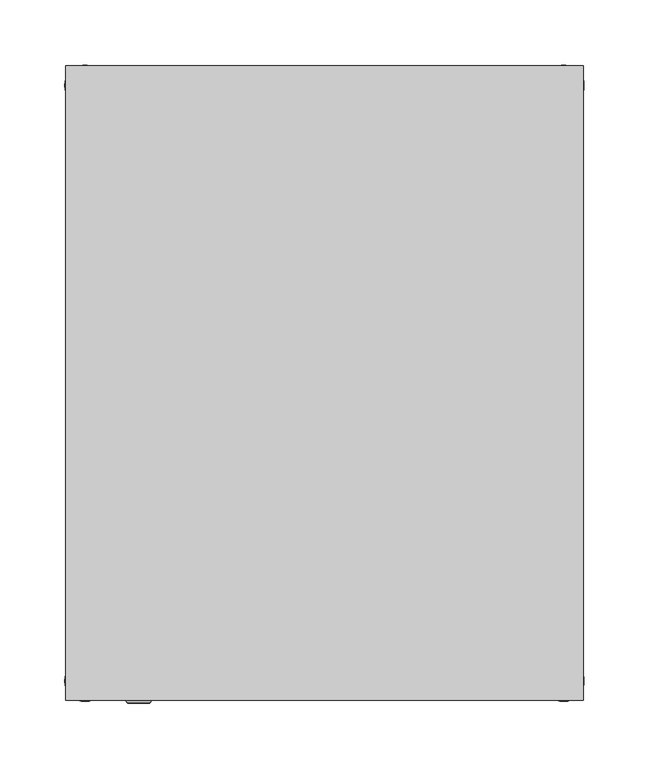
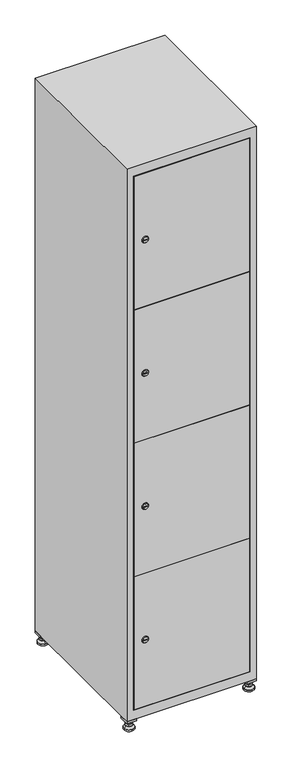
"""IFC4 building model written with IfcOpenShell, lengths in millimetres: furniture geometry."""

from ifc_helpers import new_model, si_unit, point, frame, frame_2d, origin, origin_with_axes, place, context, project, spatial, polyline, circle_curve, trimmed, segment, composite_curve, outline, extrude, faceted_brep, source, transform, mapped, element, save
from ifc_brep_helpers import plane_surface, revolved_surface, advanced_brep


def furniture_5f8d6101(model_context):
    return source(origin(), model_context, "Body", "SolidModel", [
        extrude(outline(polyline([(200.0, 245.0), (200.0, 215.0), (170.0, 215.0), (170.0, 245.0), (200.0, 245.0)]), holes=[polyline([(198.0, 243.0), (172.0, 243.0), (172.0, 217.0), (198.0, 217.0), (198.0, 243.0)])]), frame((0.0, 0.0, 28.5), z_axis=(0.0, 0.0, 1.0), x_axis=(1.0, 0.0, 0.0)), (0.0, 0.0, 1.0), 6.5),
        extrude(outline(polyline([(170.0, -245.0), (170.0, -215.0), (200.0, -215.0), (200.0, -245.0), (170.0, -245.0)]), holes=[polyline([(172.0, -243.0), (198.0, -243.0), (198.0, -217.0), (172.0, -217.0), (172.0, -243.0)])]), frame((0.0, 0.0, 28.5), z_axis=(0.0, 0.0, 1.0), x_axis=(1.0, 0.0, 0.0)), (0.0, 0.0, 1.0), 6.5),
        extrude(outline(polyline([(-170.0, 245.0), (-170.0, 215.0), (-200.0, 215.0), (-200.0, 245.0), (-170.0, 245.0)]), holes=[polyline([(-172.0, 243.0), (-198.0, 243.0), (-198.0, 217.0), (-172.0, 217.0), (-172.0, 243.0)])]), frame((0.0, 0.0, 28.5), z_axis=(0.0, 0.0, 1.0), x_axis=(1.0, 0.0, 0.0)), (0.0, 0.0, 1.0), 6.5),
        extrude(outline(polyline([(-170.0, -215.0), (-170.0, -245.0), (-200.0, -245.0), (-200.0, -215.0), (-170.0, -215.0)]), holes=[polyline([(-198.0, -243.0), (-172.0, -243.0), (-172.0, -217.0), (-198.0, -217.0), (-198.0, -243.0)])]), frame((0.0, 0.0, 28.5), z_axis=(0.0, 0.0, 1.0), x_axis=(1.0, 0.0, 0.0)), (0.0, 0.0, 1.0), 6.5),
        extrude(outline(composite_curve([segment(trimmed(circle_curve(frame_2d((-185.0, 230.0)), 5.0), [point((-180.0, 230.0))], [point((-190.0, 230.0))], False, "CARTESIAN"), True, "CONTINUOUS"), segment(trimmed(circle_curve(frame_2d((-185.0, 230.0)), 5.0), [point((-190.0, 230.0))], [point((-180.0, 230.0))], False, "CARTESIAN"), True, "CONTINUOUS")], self_intersect=False)), frame((0.0, 0.0, 19.6), z_axis=(0.0, 0.0, 1.0), x_axis=(1.0, 0.0, 0.0)), (0.0, 0.0, 1.0), 15.4),
        extrude(outline(composite_curve([segment(trimmed(circle_curve(frame_2d((-185.0, -230.0)), 5.0), [point((-180.0, -230.0))], [point((-190.0, -230.0))], False, "CARTESIAN"), True, "CONTINUOUS"), segment(trimmed(circle_curve(frame_2d((-185.0, -230.0)), 5.0), [point((-190.0, -230.0))], [point((-180.0, -230.0))], False, "CARTESIAN"), True, "CONTINUOUS")], self_intersect=False)), frame((0.0, 0.0, 19.6), z_axis=(0.0, 0.0, 1.0), x_axis=(1.0, 0.0, 0.0)), (0.0, 0.0, 1.0), 15.4),
        extrude(outline(composite_curve([segment(trimmed(circle_curve(frame_2d((185.0, 230.0)), 5.0), [point((190.0, 230.0))], [point((180.0, 230.0))], False, "CARTESIAN"), True, "CONTINUOUS"), segment(trimmed(circle_curve(frame_2d((185.0, 230.0)), 5.0), [point((180.0, 230.0))], [point((190.0, 230.0))], False, "CARTESIAN"), True, "CONTINUOUS")], self_intersect=False)), frame((0.0, 0.0, 19.6), z_axis=(0.0, 0.0, 1.0), x_axis=(1.0, 0.0, 0.0)), (0.0, 0.0, 1.0), 15.4),
        extrude(outline(polyline([(173.4529946, 230.0), (179.2264973, 240.0), (190.7735027, 240.0), (196.5470054, 230.0), (190.7735027, 220.0), (179.2264973, 220.0), (173.4529946, 230.0)])), frame((0.0, 0.0, 13.6), z_axis=(0.0, 0.0, 1.0), x_axis=(1.0, 0.0, 0.0)), (0.0, 0.0, 1.0), 6.0),
        extrude(outline(composite_curve([segment(trimmed(circle_curve(frame_2d((185.0, -230.0)), 5.0), [point((190.0, -230.0))], [point((180.0, -230.0))], False, "CARTESIAN"), True, "CONTINUOUS"), segment(trimmed(circle_curve(frame_2d((185.0, -230.0)), 5.0), [point((180.0, -230.0))], [point((190.0, -230.0))], False, "CARTESIAN"), True, "CONTINUOUS")], self_intersect=False)), frame((0.0, 0.0, 19.6), z_axis=(0.0, 0.0, 1.0), x_axis=(1.0, 0.0, 0.0)), (0.0, 0.0, 1.0), 15.4),
        extrude(outline(polyline([(173.4529946, -230.0), (179.2264973, -220.0), (190.7735027, -220.0), (196.5470054, -230.0), (190.7735027, -240.0), (179.2264973, -240.0), (173.4529946, -230.0)])), frame((0.0, 0.0, 13.6), z_axis=(0.0, 0.0, 1.0), x_axis=(1.0, 0.0, 0.0)), (0.0, 0.0, 1.0), 6.0),
        extrude(outline(composite_curve([segment(trimmed(circle_curve(frame_2d((185.0, 230.0)), 5.0), [point((190.0, 230.0))], [point((180.0, 230.0))], False, "CARTESIAN"), True, "CONTINUOUS"), segment(trimmed(circle_curve(frame_2d((185.0, 230.0)), 5.0), [point((180.0, 230.0))], [point((190.0, 230.0))], False, "CARTESIAN"), True, "CONTINUOUS")], self_intersect=False)), frame((0.0, 0.0, 12.1), z_axis=(0.0, 0.0, 1.0), x_axis=(1.0, 0.0, 0.0)), (0.0, 0.0, 1.0), 1.5),
        extrude(outline(composite_curve([segment(trimmed(circle_curve(frame_2d((185.0, -230.0)), 5.0), [point((190.0, -230.0))], [point((180.0, -230.0))], False, "CARTESIAN"), True, "CONTINUOUS"), segment(trimmed(circle_curve(frame_2d((185.0, -230.0)), 5.0), [point((180.0, -230.0))], [point((190.0, -230.0))], False, "CARTESIAN"), True, "CONTINUOUS")], self_intersect=False)), frame((0.0, 0.0, 12.1), z_axis=(0.0, 0.0, 1.0), x_axis=(1.0, 0.0, 0.0)), (0.0, 0.0, 1.0), 1.5),
        extrude(outline(polyline([(-196.5470054, 230.0), (-190.7735027, 240.0), (-179.2264973, 240.0), (-173.4529946, 230.0), (-179.2264973, 220.0), (-190.7735027, 220.0), (-196.5470054, 230.0)])), frame((0.0, 0.0, 13.6), z_axis=(0.0, 0.0, 1.0), x_axis=(1.0, 0.0, 0.0)), (0.0, 0.0, 1.0), 6.0),
        extrude(outline(polyline([(-196.5470054, -230.0), (-190.7735027, -220.0), (-179.2264973, -220.0), (-173.4529946, -230.0), (-179.2264973, -240.0), (-190.7735027, -240.0), (-196.5470054, -230.0)])), frame((0.0, 0.0, 13.6), z_axis=(0.0, 0.0, 1.0), x_axis=(1.0, 0.0, 0.0)), (0.0, 0.0, 1.0), 6.0),
        extrude(outline(composite_curve([segment(trimmed(circle_curve(frame_2d((-185.0, 230.0)), 5.0), [point((-185.0, 235.0))], [point((-185.0, 225.0))], False, "CARTESIAN"), True, "CONTINUOUS"), segment(trimmed(circle_curve(frame_2d((-185.0, 230.0)), 5.0), [point((-185.0, 225.0))], [point((-185.0, 235.0))], False, "CARTESIAN"), True, "CONTINUOUS")], self_intersect=False)), frame((0.0, 0.0, 12.1), z_axis=(0.0, 0.0, 1.0), x_axis=(1.0, 0.0, 0.0)), (0.0, 0.0, 1.0), 1.5),
        extrude(outline(composite_curve([segment(trimmed(circle_curve(frame_2d((-185.0, -230.0)), 5.0), [point((-180.0, -230.0))], [point((-190.0, -230.0))], False, "CARTESIAN"), True, "CONTINUOUS"), segment(trimmed(circle_curve(frame_2d((-185.0, -230.0)), 5.0), [point((-190.0, -230.0))], [point((-180.0, -230.0))], False, "CARTESIAN"), True, "CONTINUOUS")], self_intersect=False)), frame((0.0, 0.0, 12.1), z_axis=(0.0, 0.0, 1.0), x_axis=(1.0, 0.0, 0.0)), (0.0, 0.0, 1.0), 1.5),
        extrude(outline(composite_curve([segment(trimmed(circle_curve(frame_2d((185.0, 230.0)), 15.75), [point((200.75, 230.0))], [point((169.25, 230.0))], False, "CARTESIAN"), True, "CONTINUOUS"), segment(trimmed(circle_curve(frame_2d((185.0, 230.0)), 15.75), [point((169.25, 230.0))], [point((200.75, 230.0))], False, "CARTESIAN"), True, "CONTINUOUS")], self_intersect=False)), origin_with_axes(), (0.0, 0.0, 1.0), 5.1),
        extrude(outline(composite_curve([segment(trimmed(circle_curve(frame_2d((185.0, -230.0)), 15.75), [point((185.0, -214.25))], [point((185.0, -245.75))], False, "CARTESIAN"), True, "CONTINUOUS"), segment(trimmed(circle_curve(frame_2d((185.0, -230.0)), 15.75), [point((185.0, -245.75))], [point((185.0, -214.25))], False, "CARTESIAN"), True, "CONTINUOUS")], self_intersect=False)), origin_with_axes(), (0.0, 0.0, 1.0), 5.1),
        extrude(outline(composite_curve([segment(trimmed(circle_curve(frame_2d((-185.0, -230.0)), 15.75), [point((-169.25, -230.0))], [point((-200.75, -230.0))], False, "CARTESIAN"), True, "CONTINUOUS"), segment(trimmed(circle_curve(frame_2d((-185.0, -230.0)), 15.75), [point((-200.75, -230.0))], [point((-169.25, -230.0))], False, "CARTESIAN"), True, "CONTINUOUS")], self_intersect=False)), origin_with_axes(), (0.0, 0.0, 1.0), 5.1),
        extrude(outline(composite_curve([segment(trimmed(circle_curve(frame_2d((-185.0, 230.0)), 15.75), [point((-169.25, 230.0))], [point((-200.75, 230.0))], False, "CARTESIAN"), True, "CONTINUOUS"), segment(trimmed(circle_curve(frame_2d((-185.0, 230.0)), 15.75), [point((-200.75, 230.0))], [point((-169.25, 230.0))], False, "CARTESIAN"), True, "CONTINUOUS")], self_intersect=False)), origin_with_axes(), (0.0, 0.0, 1.0), 5.1),
        advanced_brep(
        [(-185.0, 245.75, 5.1), (-185.0, 214.25, 5.1), (-185.0, 239.5, 12.1), (-185.0, 220.5, 12.1)],
        [
            (0, 1, circle_curve(frame((-185.0, 230.0, 5.1), z_axis=(0.0, 0.0, -1.0), x_axis=(0.0, 1.0, 0.0)), 15.75)),
            (1, 0, circle_curve(frame((-185.0, 230.0, 5.1), z_axis=(0.0, 0.0, -1.0), x_axis=(0.0, -1.0, 0.0)), 15.75)),
            (2, 3, circle_curve(frame((-185.0, 230.0, 12.1), z_axis=(0.0, 0.0, 1.0), x_axis=(0.0, -1.0, 0.0)), 9.5)),
            (3, 2, circle_curve(frame((-185.0, 230.0, 12.1), z_axis=(0.0, 0.0, 1.0), x_axis=(0.0, 1.0, 0.0)), 9.5)),
            (3, 1),
            (0, 2),
        ],
        [
            plane_surface(frame((-185.0, 230.0, 5.1), z_axis=(0.0, 0.0, -1.0), x_axis=(1.0, 0.0, 0.0))),
            plane_surface(frame((-185.0, 230.0, 12.1), z_axis=(0.0, 0.0, 1.0), x_axis=(1.0, 0.0, 0.0))),
            revolved_surface(polyline([(-185.0, 220.5, 12.099999999999998), (-185.0, 214.25, 5.099999999999998)]), (-185.0, 230.0, 22.74), (0.0, 0.0, -1.0)),
            revolved_surface(polyline([(-185.0, 239.5, 12.099999999999998), (-185.0, 245.75, 5.099999999999998)]), (-185.0, 230.0, 22.74), (0.0, 0.0, -1.0)),
        ],
        [
            (0, [[1, 2]]),
            (1, [[3, 4]]),
            (2, [[-4, 5, -1, 6]]),
            (3, [[-3, -6, -2, -5]]),
        ],
    ),
        advanced_brep(
        [(185.0, 245.75, 5.1), (185.0, 214.25, 5.1), (185.0, 239.5, 12.1), (185.0, 220.5, 12.1)],
        [
            (0, 1, circle_curve(frame((185.0, 230.0, 5.1), z_axis=(0.0, 0.0, -1.0), x_axis=(0.0, 1.0, 0.0)), 15.75)),
            (1, 0, circle_curve(frame((185.0, 230.0, 5.1), z_axis=(0.0, 0.0, -1.0), x_axis=(0.0, -1.0, 0.0)), 15.75)),
            (2, 3, circle_curve(frame((185.0, 230.0, 12.1), z_axis=(0.0, 0.0, 1.0), x_axis=(0.0, -1.0, 0.0)), 9.5)),
            (3, 2, circle_curve(frame((185.0, 230.0, 12.1), z_axis=(0.0, 0.0, 1.0), x_axis=(0.0, 1.0, 0.0)), 9.5)),
            (3, 1),
            (0, 2),
        ],
        [
            plane_surface(frame((185.0, 230.0, 5.1), z_axis=(0.0, 0.0, -1.0), x_axis=(1.0, 0.0, 0.0))),
            plane_surface(frame((185.0, 230.0, 12.1), z_axis=(0.0, 0.0, 1.0), x_axis=(1.0, 0.0, 0.0))),
            revolved_surface(polyline([(185.0, 220.5, 12.099999999999998), (185.0, 214.25, 5.099999999999998)]), (185.0, 230.0, 22.74), (0.0, 0.0, -1.0)),
            revolved_surface(polyline([(185.0, 239.5, 12.099999999999998), (185.0, 245.75, 5.099999999999998)]), (185.0, 230.0, 22.74), (0.0, 0.0, -1.0)),
        ],
        [
            (0, [[1, 2]]),
            (1, [[3, 4]]),
            (2, [[-4, 5, -1, 6]]),
            (3, [[-3, -6, -2, -5]]),
        ],
    ),
        advanced_brep(
        [(194.5, -230.0, 12.1), (175.5, -230.0, 12.1), (200.75, -230.0, 5.1), (169.25, -230.0, 5.1)],
        [
            (0, 1, circle_curve(frame((185.0, -230.0, 12.1), z_axis=(0.0, 0.0, 1.0), x_axis=(1.0, 0.0, 0.0)), 9.5)),
            (1, 0, circle_curve(frame((185.0, -230.0, 12.1), z_axis=(0.0, 0.0, 1.0), x_axis=(-1.0, 0.0, 0.0)), 9.5)),
            (2, 3, circle_curve(frame((185.0, -230.0, 5.1), z_axis=(0.0, 0.0, -1.0), x_axis=(-1.0, 0.0, 0.0)), 15.75)),
            (3, 2, circle_curve(frame((185.0, -230.0, 5.1), z_axis=(0.0, 0.0, -1.0), x_axis=(1.0, 0.0, 0.0)), 15.75)),
            (3, 1),
            (0, 2),
        ],
        [
            plane_surface(frame((185.0, -230.0, 12.1), z_axis=(0.0, 0.0, 1.0), x_axis=(0.0, 1.0, 0.0))),
            plane_surface(frame((185.0, -230.0, 5.1), z_axis=(0.0, 0.0, -1.0), x_axis=(0.0, 1.0, 0.0))),
            revolved_surface(polyline([(194.5, -230.0, 12.099999999999998), (200.75, -230.0, 5.099999999999998)]), (185.0, -230.0, 22.74), (0.0, 0.0, -1.0)),
            revolved_surface(polyline([(175.5, -230.0, 12.099999999999998), (169.25, -230.0, 5.099999999999998)]), (185.0, -230.0, 22.74), (0.0, 0.0, -1.0)),
        ],
        [
            (0, [[1, 2]]),
            (1, [[3, 4]]),
            (2, [[-4, 5, -1, 6]]),
            (3, [[-3, -6, -2, -5]]),
        ],
    ),
        advanced_brep(
        [(-175.5, -230.0, 12.1), (-194.5, -230.0, 12.1), (-169.25, -230.0, 5.1), (-200.75, -230.0, 5.1)],
        [
            (0, 1, circle_curve(frame((-185.0, -230.0, 12.1), z_axis=(0.0, 0.0, 1.0), x_axis=(1.0, 0.0, 0.0)), 9.5)),
            (1, 0, circle_curve(frame((-185.0, -230.0, 12.1), z_axis=(0.0, 0.0, 1.0), x_axis=(-1.0, 0.0, 0.0)), 9.5)),
            (2, 3, circle_curve(frame((-185.0, -230.0, 5.1), z_axis=(0.0, 0.0, -1.0), x_axis=(-1.0, 0.0, 0.0)), 15.75)),
            (3, 2, circle_curve(frame((-185.0, -230.0, 5.1), z_axis=(0.0, 0.0, -1.0), x_axis=(1.0, 0.0, 0.0)), 15.75)),
            (3, 1),
            (0, 2),
        ],
        [
            plane_surface(frame((-185.0, -230.0, 12.1), z_axis=(0.0, 0.0, 1.0), x_axis=(0.0, 1.0, 0.0))),
            plane_surface(frame((-185.0, -230.0, 5.1), z_axis=(0.0, 0.0, -1.0), x_axis=(0.0, 1.0, 0.0))),
            revolved_surface(polyline([(-175.5, -230.0, 12.099999999999998), (-169.25, -230.0, 5.099999999999998)]), (-185.0, -230.0, 22.74), (0.0, 0.0, -1.0)),
            revolved_surface(polyline([(-194.5, -230.0, 12.099999999999998), (-200.75, -230.0, 5.099999999999998)]), (-185.0, -230.0, 22.74), (0.0, 0.0, -1.0)),
        ],
        [
            (0, [[1, 2]]),
            (1, [[3, 4]]),
            (2, [[-4, 5, -1, 6]]),
            (3, [[-3, -6, -2, -5]]),
        ],
    ),
        extrude(outline(composite_curve([segment(trimmed(circle_curve(frame_2d((283.4, -170.3989466)), 7.0), [point((290.4, -170.3989466))], [point((276.4, -170.3989466))], False, "CARTESIAN"), True, "CONTINUOUS"), segment(polyline([(276.4, -170.3989466), (276.4, -142.3989466)]), True, "CONTINUOUS"), segment(trimmed(circle_curve(frame_2d((283.4, -142.3989466)), 7.0), [point((276.4, -142.3989466))], [point((290.4, -142.3989466))], False, "CARTESIAN"), True, "CONTINUOUS"), segment(polyline([(290.4, -142.3989466), (290.4, -170.3989466)]), True, "CONTINUOUS")], self_intersect=False)), frame((0.0, -227.0, 0.0), z_axis=(0.0, 1.0, 0.0), x_axis=(0.0, 0.0, 1.0)), (0.0, 0.0, 1.0), 2.0),
        advanced_brep(
        [(-135.1, -247.2, 283.4), (-152.1, -247.2, 283.4), (-148.6, -247.2, 282.15), (-148.6, -247.2, 284.65), (-138.6, -247.2, 284.65), (-138.6, -247.2, 282.15), (-133.1, -245.0, 283.4), (-154.1, -245.0, 283.4), (-148.6, -245.0, 284.65), (-148.6, -245.0, 282.15), (-138.6, -245.0, 282.15), (-138.6, -245.0, 284.65)],
        [
            (0, 1, circle_curve(frame((-143.6, -247.2, 283.4), z_axis=(0.0, -1.0, 0.0), x_axis=(1.0, 0.0, 0.0)), 8.5)),
            (1, 0, circle_curve(frame((-143.6, -247.2, 283.4), z_axis=(0.0, -1.0, 0.0), x_axis=(-1.0, 0.0, 0.0)), 8.5)),
            (2, 3),
            (3, 4),
            (4, 5),
            (5, 2),
            (6, 7, circle_curve(frame((-143.6, -245.0, 283.4), z_axis=(0.0, 1.0, 0.0), x_axis=(-1.0, 0.0, 0.0)), 10.5)),
            (7, 6, circle_curve(frame((-143.6, -245.0, 283.4), z_axis=(0.0, 1.0, 0.0), x_axis=(1.0, 0.0, 0.0)), 10.5)),
            (8, 9),
            (9, 10),
            (10, 11),
            (11, 8),
            (0, 6),
            (7, 1),
            (8, 3),
            (2, 9),
            (11, 4),
            (10, 5),
        ],
        [
            plane_surface(frame((-143.6, -247.2, 283.4), z_axis=(0.0, -1.0, 0.0), x_axis=(0.0, 0.0, 1.0))),
            plane_surface(frame((-143.6, -245.0, 283.4), z_axis=(0.0, 1.0, 0.0), x_axis=(0.0, 0.0, 1.0))),
            revolved_surface(polyline([(-135.1, -247.2, 283.4), (-133.1, -245.0, 283.4)]), (-143.6, -256.55, 283.4), (0.0, 1.0, 0.0)),
            revolved_surface(polyline([(-152.1, -247.2, 283.4), (-154.1, -245.0, 283.4)]), (-143.6, -256.55, 283.4), (0.0, 1.0, 0.0)),
            plane_surface(frame((-148.6, -245.0, 282.15), z_axis=(1.0, 0.0, 0.0), x_axis=(0.0, -1.0, 0.0))),
            plane_surface(frame((-148.6, -245.0, 284.65), z_axis=(0.0, 0.0, -1.0), x_axis=(0.0, -1.0, 0.0))),
            plane_surface(frame((-138.6, -245.0, 284.65), z_axis=(-1.0, 0.0, 0.0), x_axis=(0.0, -1.0, 0.0))),
            plane_surface(frame((-138.6, -245.0, 282.15), z_axis=(0.0, 0.0, 1.0), x_axis=(0.0, -1.0, 0.0))),
        ],
        [
            (0, [[1, 2], [3, 4, 5, 6]]),
            (1, [[7, 8], [9, 10, 11, 12]]),
            (2, [[-1, 13, -8, 14]]),
            (3, [[-2, -14, -7, -13]]),
            (4, [[15, -3, 16, -9]]),
            (5, [[-15, -12, 17, -4]]),
            (6, [[-17, -11, 18, -5]]),
            (7, [[-16, -6, -18, -10]]),
        ],
    ),
        extrude(outline(composite_curve([segment(trimmed(circle_curve(frame_2d((717.8, -170.3989466)), 7.0), [point((724.8, -170.3989466))], [point((710.8, -170.3989466))], False, "CARTESIAN"), True, "CONTINUOUS"), segment(polyline([(710.8, -170.3989466), (710.8, -142.3989466)]), True, "CONTINUOUS"), segment(trimmed(circle_curve(frame_2d((717.8, -142.3989466)), 7.0), [point((710.8, -142.3989466))], [point((724.8, -142.3989466))], False, "CARTESIAN"), True, "CONTINUOUS"), segment(polyline([(724.8, -142.3989466), (724.8, -170.3989466)]), True, "CONTINUOUS")], self_intersect=False)), frame((0.0, -227.0, 0.0), z_axis=(0.0, 1.0, 0.0), x_axis=(0.0, 0.0, 1.0)), (0.0, 0.0, 1.0), 2.0),
        advanced_brep(
        [(-135.1, -247.2, 717.8), (-152.1, -247.2, 717.8), (-148.6, -247.2, 716.55), (-148.6, -247.2, 719.05), (-138.6, -247.2, 719.05), (-138.6, -247.2, 716.55), (-133.1, -245.0, 717.8), (-154.1, -245.0, 717.8), (-148.6, -245.0, 719.05), (-148.6, -245.0, 716.55), (-138.6, -245.0, 716.55), (-138.6, -245.0, 719.05)],
        [
            (0, 1, circle_curve(frame((-143.6, -247.2, 717.8), z_axis=(0.0, -1.0, 0.0), x_axis=(1.0, 0.0, 0.0)), 8.5)),
            (1, 0, circle_curve(frame((-143.6, -247.2, 717.8), z_axis=(0.0, -1.0, 0.0), x_axis=(-1.0, 0.0, 0.0)), 8.5)),
            (2, 3),
            (3, 4),
            (4, 5),
            (5, 2),
            (6, 7, circle_curve(frame((-143.6, -245.0, 717.8), z_axis=(0.0, 1.0, 0.0), x_axis=(-1.0, 0.0, 0.0)), 10.5)),
            (7, 6, circle_curve(frame((-143.6, -245.0, 717.8), z_axis=(0.0, 1.0, 0.0), x_axis=(1.0, 0.0, 0.0)), 10.5)),
            (8, 9),
            (9, 10),
            (10, 11),
            (11, 8),
            (0, 6),
            (7, 1),
            (8, 3),
            (2, 9),
            (11, 4),
            (10, 5),
        ],
        [
            plane_surface(frame((-143.6, -247.2, 717.8), z_axis=(0.0, -1.0, 0.0), x_axis=(0.0, 0.0, 1.0))),
            plane_surface(frame((-143.6, -245.0, 717.8), z_axis=(0.0, 1.0, 0.0), x_axis=(0.0, 0.0, 1.0))),
            revolved_surface(polyline([(-135.1, -247.2, 717.8), (-133.1, -245.0, 717.8)]), (-143.6, -256.55, 717.8), (0.0, 1.0, 0.0)),
            revolved_surface(polyline([(-152.1, -247.2, 717.8), (-154.1, -245.0, 717.8)]), (-143.6, -256.55, 717.8), (0.0, 1.0, 0.0)),
            plane_surface(frame((-148.6, -245.0, 716.55), z_axis=(1.0, 0.0, 0.0), x_axis=(0.0, -1.0, 0.0))),
            plane_surface(frame((-148.6, -245.0, 719.05), z_axis=(0.0, 0.0, -1.0), x_axis=(0.0, -1.0, 0.0))),
            plane_surface(frame((-138.6, -245.0, 719.05), z_axis=(-1.0, 0.0, 0.0), x_axis=(0.0, -1.0, 0.0))),
            plane_surface(frame((-138.6, -245.0, 716.55), z_axis=(0.0, 0.0, 1.0), x_axis=(0.0, -1.0, 0.0))),
        ],
        [
            (0, [[1, 2], [3, 4, 5, 6]]),
            (1, [[7, 8], [9, 10, 11, 12]]),
            (2, [[-1, 13, -8, 14]]),
            (3, [[-2, -14, -7, -13]]),
            (4, [[15, -3, 16, -9]]),
            (5, [[-15, -12, 17, -4]]),
            (6, [[-17, -11, 18, -5]]),
            (7, [[-16, -6, -18, -10]]),
        ],
    ),
        extrude(outline(composite_curve([segment(trimmed(circle_curve(frame_2d((1152.2, -170.3989466)), 7.0), [point((1159.2, -170.3989466))], [point((1145.2, -170.3989466))], False, "CARTESIAN"), True, "CONTINUOUS"), segment(polyline([(1145.2, -170.3989466), (1145.2, -142.3989466)]), True, "CONTINUOUS"), segment(trimmed(circle_curve(frame_2d((1152.2, -142.3989466)), 7.0), [point((1145.2, -142.3989466))], [point((1159.2, -142.3989466))], False, "CARTESIAN"), True, "CONTINUOUS"), segment(polyline([(1159.2, -142.3989466), (1159.2, -170.3989466)]), True, "CONTINUOUS")], self_intersect=False)), frame((0.0, -227.0, 0.0), z_axis=(0.0, 1.0, 0.0), x_axis=(0.0, 0.0, 1.0)), (0.0, 0.0, 1.0), 2.0),
        advanced_brep(
        [(-135.1, -247.2, 1152.2), (-152.1, -247.2, 1152.2), (-148.6, -247.2, 1150.95), (-148.6, -247.2, 1153.45), (-138.6, -247.2, 1153.45), (-138.6, -247.2, 1150.95), (-133.1, -245.0, 1152.2), (-154.1, -245.0, 1152.2), (-148.6, -245.0, 1153.45), (-148.6, -245.0, 1150.95), (-138.6, -245.0, 1150.95), (-138.6, -245.0, 1153.45)],
        [
            (0, 1, circle_curve(frame((-143.6, -247.2, 1152.2), z_axis=(0.0, -1.0, 0.0), x_axis=(1.0, 0.0, 0.0)), 8.5)),
            (1, 0, circle_curve(frame((-143.6, -247.2, 1152.2), z_axis=(0.0, -1.0, 0.0), x_axis=(-1.0, 0.0, 0.0)), 8.5)),
            (2, 3),
            (3, 4),
            (4, 5),
            (5, 2),
            (6, 7, circle_curve(frame((-143.6, -245.0, 1152.2), z_axis=(0.0, 1.0, 0.0), x_axis=(-1.0, 0.0, 0.0)), 10.5)),
            (7, 6, circle_curve(frame((-143.6, -245.0, 1152.2), z_axis=(0.0, 1.0, 0.0), x_axis=(1.0, 0.0, 0.0)), 10.5)),
            (8, 9),
            (9, 10),
            (10, 11),
            (11, 8),
            (0, 6),
            (7, 1),
            (8, 3),
            (2, 9),
            (11, 4),
            (10, 5),
        ],
        [
            plane_surface(frame((-143.6, -247.2, 1152.2), z_axis=(0.0, -1.0, 0.0), x_axis=(0.0, 0.0, 1.0))),
            plane_surface(frame((-143.6, -245.0, 1152.2), z_axis=(0.0, 1.0, 0.0), x_axis=(0.0, 0.0, 1.0))),
            revolved_surface(polyline([(-135.1, -247.2, 1152.2), (-133.1, -245.0, 1152.2)]), (-143.6, -256.55, 1152.2), (0.0, 1.0, 0.0)),
            revolved_surface(polyline([(-152.1, -247.2, 1152.2), (-154.1, -245.0, 1152.2)]), (-143.6, -256.55, 1152.2), (0.0, 1.0, 0.0)),
            plane_surface(frame((-148.6, -245.0, 1150.95), z_axis=(1.0, 0.0, 0.0), x_axis=(0.0, -1.0, 0.0))),
            plane_surface(frame((-148.6, -245.0, 1153.45), z_axis=(0.0, 0.0, -1.0), x_axis=(0.0, -1.0, 0.0))),
            plane_surface(frame((-138.6, -245.0, 1153.45), z_axis=(-1.0, 0.0, 0.0), x_axis=(0.0, -1.0, 0.0))),
            plane_surface(frame((-138.6, -245.0, 1150.95), z_axis=(0.0, 0.0, 1.0), x_axis=(0.0, -1.0, 0.0))),
        ],
        [
            (0, [[1, 2], [3, 4, 5, 6]]),
            (1, [[7, 8], [9, 10, 11, 12]]),
            (2, [[-1, 13, -8, 14]]),
            (3, [[-2, -14, -7, -13]]),
            (4, [[15, -3, 16, -9]]),
            (5, [[-15, -12, 17, -4]]),
            (6, [[-17, -11, 18, -5]]),
            (7, [[-16, -6, -18, -10]]),
        ],
    ),
        extrude(outline(composite_curve([segment(trimmed(circle_curve(frame_2d((1586.6, -170.3989466)), 7.0), [point((1593.6, -170.3989466))], [point((1579.6, -170.3989466))], False, "CARTESIAN"), True, "CONTINUOUS"), segment(polyline([(1579.6, -170.3989466), (1579.6, -142.3989466)]), True, "CONTINUOUS"), segment(trimmed(circle_curve(frame_2d((1586.6, -142.3989466)), 7.0), [point((1579.6, -142.3989466))], [point((1593.6, -142.3989466))], False, "CARTESIAN"), True, "CONTINUOUS"), segment(polyline([(1593.6, -142.3989466), (1593.6, -170.3989466)]), True, "CONTINUOUS")], self_intersect=False)), frame((0.0, -227.0, 0.0), z_axis=(0.0, 1.0, 0.0), x_axis=(0.0, 0.0, 1.0)), (0.0, 0.0, 1.0), 2.0),
        advanced_brep(
        [(-135.1, -247.2, 1586.6), (-152.1, -247.2, 1586.6), (-148.6, -247.2, 1585.35), (-148.6, -247.2, 1587.85), (-138.6, -247.2, 1587.85), (-138.6, -247.2, 1585.35), (-133.1, -245.0, 1586.6), (-154.1, -245.0, 1586.6), (-148.6, -245.0, 1587.85), (-148.6, -245.0, 1585.35), (-138.6, -245.0, 1585.35), (-138.6, -245.0, 1587.85)],
        [
            (0, 1, circle_curve(frame((-143.6, -247.2, 1586.6), z_axis=(0.0, -1.0, 0.0), x_axis=(1.0, 0.0, 0.0)), 8.5)),
            (1, 0, circle_curve(frame((-143.6, -247.2, 1586.6), z_axis=(0.0, -1.0, 0.0), x_axis=(-1.0, 0.0, 0.0)), 8.5)),
            (2, 3),
            (3, 4),
            (4, 5),
            (5, 2),
            (6, 7, circle_curve(frame((-143.6, -245.0, 1586.6), z_axis=(0.0, 1.0, 0.0), x_axis=(-1.0, 0.0, 0.0)), 10.5)),
            (7, 6, circle_curve(frame((-143.6, -245.0, 1586.6), z_axis=(0.0, 1.0, 0.0), x_axis=(1.0, 0.0, 0.0)), 10.5)),
            (8, 9),
            (9, 10),
            (10, 11),
            (11, 8),
            (0, 6),
            (7, 1),
            (8, 3),
            (2, 9),
            (11, 4),
            (10, 5),
        ],
        [
            plane_surface(frame((-143.6, -247.2, 1586.6), z_axis=(0.0, -1.0, 0.0), x_axis=(0.0, 0.0, 1.0))),
            plane_surface(frame((-143.6, -245.0, 1586.6), z_axis=(0.0, 1.0, 0.0), x_axis=(0.0, 0.0, 1.0))),
            revolved_surface(polyline([(-135.1, -247.2, 1586.6), (-133.1, -245.0, 1586.6)]), (-143.6, -256.55, 1586.6), (0.0, 1.0, 0.0)),
            revolved_surface(polyline([(-152.1, -247.2, 1586.6), (-154.1, -245.0, 1586.6)]), (-143.6, -256.55, 1586.6), (0.0, 1.0, 0.0)),
            plane_surface(frame((-148.6, -245.0, 1585.35), z_axis=(1.0, 0.0, 0.0), x_axis=(0.0, -1.0, 0.0))),
            plane_surface(frame((-148.6, -245.0, 1587.85), z_axis=(0.0, 0.0, -1.0), x_axis=(0.0, -1.0, 0.0))),
            plane_surface(frame((-138.6, -245.0, 1587.85), z_axis=(-1.0, 0.0, 0.0), x_axis=(0.0, -1.0, 0.0))),
            plane_surface(frame((-138.6, -245.0, 1585.35), z_axis=(0.0, 0.0, 1.0), x_axis=(0.0, -1.0, 0.0))),
        ],
        [
            (0, [[1, 2], [3, 4, 5, 6]]),
            (1, [[7, 8], [9, 10, 11, 12]]),
            (2, [[-1, 13, -8, 14]]),
            (3, [[-2, -14, -7, -13]]),
            (4, [[15, -3, 16, -9]]),
            (5, [[-15, -12, 17, -4]]),
            (6, [[-17, -11, 18, -5]]),
            (7, [[-16, -6, -18, -10]]),
        ],
    ),
        extrude(outline(polyline([(178.6, -227.0), (178.6, -245.0), (-178.6, -245.0), (-178.6, -227.0), (178.6, -227.0)])), frame((0.0, 0.0, 500.1), z_axis=(0.0, 0.0, 1.0), x_axis=(1.0, 0.0, 0.0)), (0.0, 0.0, 1.0), 434.4),
        extrude(outline(polyline([(178.6, -227.0), (178.6, -245.0), (-178.6, -245.0), (-178.6, -227.0), (178.6, -227.0)])), frame((0.0, 0.0, 935.5), z_axis=(0.0, 0.0, 1.0), x_axis=(1.0, 0.0, 0.0)), (0.0, 0.0, 1.0), 433.4),
        extrude(outline(polyline([(-178.6, -245.0), (-178.6, -227.0), (178.6, -227.0), (178.6, -245.0), (-178.6, -245.0)])), frame((0.0, 0.0, 1369.9), z_axis=(0.0, 0.0, 1.0), x_axis=(1.0, 0.0, 0.0)), (0.0, 0.0, 1.0), 433.9),
        extrude(outline(polyline([(178.6, -227.0), (178.6, -245.0), (-178.6, -245.0), (-178.6, -227.0), (178.6, -227.0)])), frame((0.0, 0.0, 66.2), z_axis=(0.0, 0.0, 1.0), x_axis=(1.0, 0.0, 0.0)), (0.0, 0.0, 1.0), 434.9),
        extrude(outline(polyline([(179.6, 242.0), (179.6, -227.0), (-179.6, -227.0), (-179.6, 242.0), (179.6, 242.0)])), frame((0.0, 0.0, 1359.7), z_axis=(0.0, 0.0, 1.0), x_axis=(1.0, 0.0, 0.0)), (0.0, 0.0, 1.0), 20.4),
        extrude(outline(polyline([(179.6, 242.0), (179.6, -227.0), (-179.6, -227.0), (-179.6, 242.0), (179.6, 242.0)])), frame((0.0, 0.0, 924.8), z_axis=(0.0, 0.0, 1.0), x_axis=(1.0, 0.0, 0.0)), (0.0, 0.0, 1.0), 20.4),
        extrude(outline(polyline([(179.6, 242.0), (179.6, -227.0), (-179.6, -227.0), (-179.6, 242.0), (179.6, 242.0)])), frame((0.0, 0.0, 489.9), z_axis=(0.0, 0.0, 1.0), x_axis=(1.0, 0.0, 0.0)), (0.0, 0.0, 1.0), 20.4),
        faceted_brep([(200.0, -245.0, 35.0), (200.0, -245.0, 1835.0), (-200.0, -245.0, 1835.0), (-200.0, -245.0, 35.0), (179.6, -245.0, 1804.8), (179.6, -245.0, 65.2), (-179.6, -245.0, 65.2), (-179.6, -245.0, 1804.8), (200.0, 245.0, 35.0), (-200.0, 245.0, 35.0), (200.0, 245.0, 1835.0), (-200.0, 245.0, 1835.0), (179.6, 242.0, 1804.8), (179.6, 242.0, 65.2), (-200.0, 245.0, 1804.8), (-179.6, 242.0, 1804.8), (-179.6, 242.0, 65.2)], [[[0, 1, 2, 3], [4, 5, 6, 7]], [[8, 0, 3, 9]], [[1, 0, 8, 10]], [[1, 10, 11, 2]], [[4, 12, 13, 5]], [[9, 3, 2, 11, 14]], [[10, 8, 9, 14, 11]], [[12, 15, 16, 13]], [[15, 7, 6, 16]], [[4, 7, 15, 12]], [[6, 5, 13, 16]]]),
    ])


if __name__ == "__main__":
    model = new_model("IFC4")
    model_context = context("Model", 3, world=origin())
    ifc_project = project(units=[si_unit("LENGTHUNIT", "METRE", prefix="MILLI")], contexts=[model_context])
    site = spatial("IfcSite", under=ifc_project)
    building = spatial("IfcBuilding", under=site)
    placement = place(None, origin())
    furniture_shape = furniture_5f8d6101(model_context)
    element("IfcFurniture", 1, at=placement, inside=building, context=model_context, shape_type="MappedRepresentation", body=[
        mapped(furniture_shape, transform((0.0, 0.0, 0.0), x_axis=(1.0, 0.0, 0.0), y_axis=(0.0, 1.0, 0.0), z_axis=(0.0, 0.0, 1.0))),
    ])
    save(model, "model.ifc")
